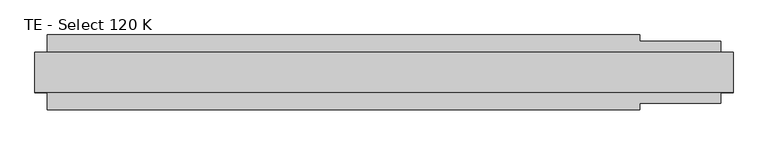
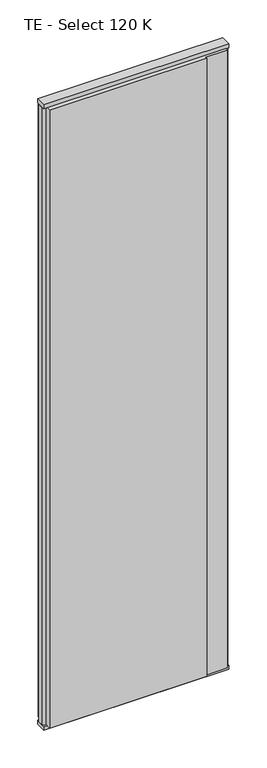
"""IFC4 building model written with IfcOpenShell, lengths in millimetres: plate geometry, TE - Select 120 K."""

from ifc_helpers import new_model, si_unit, frame, origin, origin_with_axes, place, context, project, spatial, polyline, outline, extrude, source, transform, mapped, element, save


def te_select_120_k_3c595e42(model_context):
    return source(origin(), model_context, "Body", "SweptSolid", [
        extrude(outline(polyline([(410.5, 60.0), (410.5, 50.0), (540.5, 50.0), (540.5, 22.9993165), (560.5, 17.6401049), (560.5, -17.6401049), (540.5, -22.9993165), (540.5, -50.0), (410.5, -50.0), (410.5, -60.0), (-540.5, -60.0), (-540.5, -22.9993165), (-560.5, -17.6401049), (-560.5, 17.6401049), (-540.5, 22.9993165), (-540.5, 60.0), (410.5, 60.0)])), frame((0.0, 0.0, 25.0), z_axis=(0.0, 0.0, 1.0), x_axis=(1.0, 0.0, 0.0)), (0.0, 0.0, 1.0), 3950.0),
        extrude(outline(polyline([(560.5, 32.0), (560.5, -32.0), (-560.5, -32.0), (-560.5, 32.0), (560.5, 32.0)])), origin_with_axes(), (0.0, 0.0, 1.0), 25.0),
        extrude(outline(polyline([(560.5, 32.0), (560.5, -32.0), (-560.5, -32.0), (-560.5, 32.0), (560.5, 32.0)])), frame((0.0, 0.0, 3975.0), z_axis=(0.0, 0.0, 1.0), x_axis=(1.0, 0.0, 0.0)), (0.0, 0.0, 1.0), 25.0),
    ])


if __name__ == "__main__":
    model = new_model("IFC4")
    model_context = context("Model", 3, world=origin())
    ifc_project = project(units=[si_unit("LENGTHUNIT", "METRE", prefix="MILLI")], contexts=[model_context])
    site = spatial("IfcSite", under=ifc_project)
    building = spatial("IfcBuilding", under=site)
    placement = place(None, origin())
    te_select_120_k_shape = te_select_120_k_3c595e42(model_context)
    element("IfcPlate", 1, ObjectType="TE - Select 120 K", at=placement, inside=building, context=model_context, shape_type="MappedRepresentation", body=[
        mapped(te_select_120_k_shape, transform((0.0, 0.0, 0.0), x_axis=(1.0, 0.0, 0.0), y_axis=(0.0, 1.0, 0.0), z_axis=(0.0, 0.0, 1.0))),
    ])
    save(model, "model.ifc")
